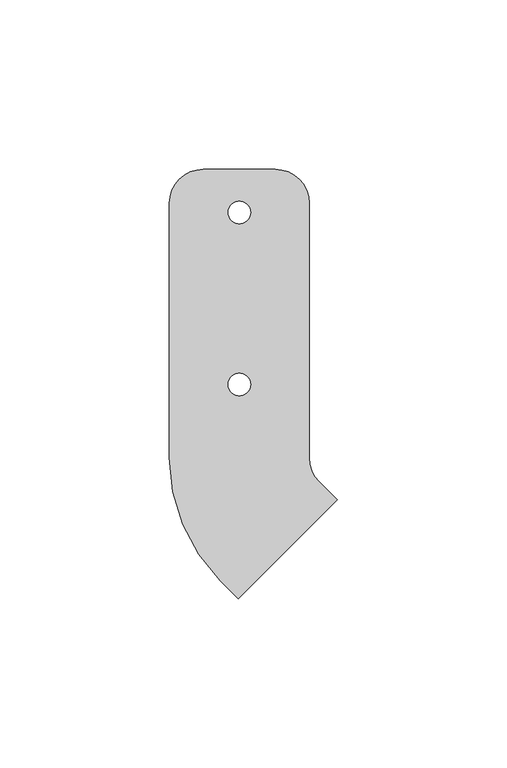
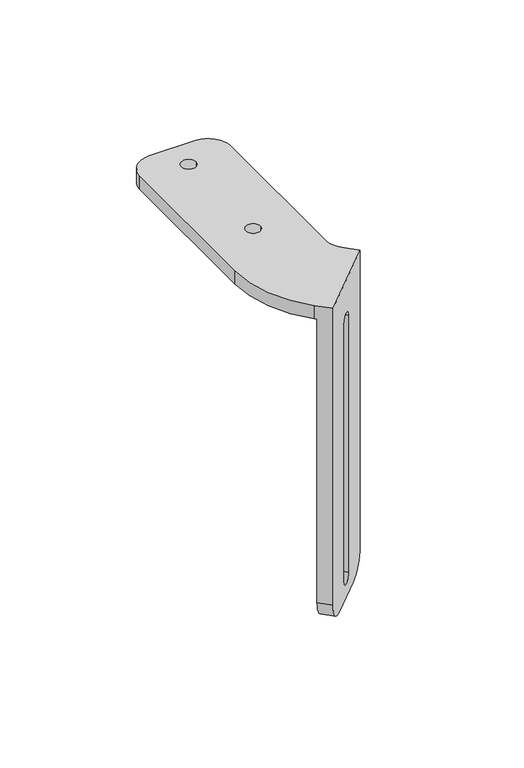
"""IFC4 building model written with IfcOpenShell, lengths in millimetres: proxy geometry."""

from ifc_helpers import new_model, si_unit, frame, origin, place, context, project, spatial, polyline, circle_curve, source, transform, mapped, element, save
from ifc_brep_helpers import plane_surface, cylinder_surface, revolved_surface, advanced_brep


def generic_models_2715e601(model_context):
    return source(origin(), model_context, "Body", "AdvancedBrep", [
        advanced_brep(
        [(24.3784807, -7.8831163, 0.0), (24.3784807, -7.8831163, -136.05), (17.3074129, -14.9541841, -146.05), (2.2637161, -29.9978809, -146.05), (-4.8073517, -37.0689487, -136.05), (-4.8073517, -37.0689487, 0.0), (12.1204311, -20.1411659, -136.398), (12.1204311, -20.1411659, -13.208), (7.4506979, -24.8108991, -13.208), (7.4506979, -24.8108991, -136.398), (-0.3172236, -41.5590768, -136.05), (6.7538442, -34.488009, -146.05), (21.7975409, -19.4443122, -146.05), (28.8686088, -12.3732444, -136.05), (28.8686088, -12.3732444, 6.35), (-0.3172236, -41.5590768, 6.35), (16.6105592, -24.631294, -136.398), (11.940826, -29.3010272, -136.398), (11.940826, -29.3010272, -13.208), (16.6105592, -24.631294, -13.208), (23.5664322, -7.0710678, 0.0), (23.5664322, -7.0710678, 6.35), (-5.6194002, -36.2569002, 6.35), (-5.6194002, -36.2569002, 0.0), (20.6375, 0.0, 6.35), (20.6375, 75.09, 6.35), (10.6375, 85.09, 6.35), (-10.6375, 85.09, 6.35), (-20.6375, 75.09, 6.35), (-20.6375, 0.0, 6.35), (3.302, 72.39, 6.35), (-3.302, 72.39, 6.35), (3.302, 21.59, 6.35), (-3.302, 21.59, 6.35), (20.6375, 0.0, 0.0), (-20.6375, 0.0, 0.0), (-20.6375, 75.09, 0.0), (-10.6375, 85.09, 0.0), (10.6375, 85.09, 0.0), (20.6375, 75.09, 0.0), (3.302, 72.39, 0.0), (-3.302, 72.39, 0.0), (3.302, 21.59, 0.0), (-3.302, 21.59, 0.0)],
        [
            (0, 1),
            (1, 2, circle_curve(frame((17.3074129, -14.9541841, -136.05), z_axis=(-0.7071067811865442, 0.7071067811865508, 0.0), x_axis=(0.7071067811865508, 0.7071067811865442, 0.0)), 10.0)),
            (2, 3),
            (3, 4, circle_curve(frame((2.2637161, -29.9978809, -136.05), z_axis=(-0.707106781186544, 0.707106781186551, 0.0), x_axis=(-0.707106781186551, -0.707106781186544, 0.0)), 10.0)),
            (4, 5),
            (5, 0),
            (6, 7),
            (7, 8, circle_curve(frame((9.7855645, -22.4760325, -13.208), z_axis=(0.7071067811865441, -0.7071067811865509, 0.0), x_axis=(-0.7071067811865509, -0.7071067811865441, 0.0)), 3.302)),
            (8, 9),
            (9, 6, circle_curve(frame((9.7855645, -22.4760325, -136.398), z_axis=(0.7071067811865441, -0.7071067811865509, 0.0), x_axis=(-0.7071067811865509, -0.7071067811865441, 0.0)), 3.302)),
            (10, 11, circle_curve(frame((6.7538442, -34.488009, -136.05), z_axis=(0.707106781186544, -0.707106781186551, 0.0), x_axis=(-0.707106781186551, -0.707106781186544, 0.0)), 10.0)),
            (11, 12),
            (12, 13, circle_curve(frame((21.7975409, -19.4443122, -136.05), z_axis=(0.7071067811865442, -0.7071067811865508, 0.0), x_axis=(0.7071067811865508, 0.7071067811865442, 0.0)), 10.0)),
            (13, 14),
            (14, 15),
            (15, 10),
            (16, 17, circle_curve(frame((14.2756926, -26.9661606, -136.398), z_axis=(-0.7071067811865441, 0.7071067811865509, 0.0), x_axis=(-0.7071067811865509, -0.7071067811865441, 0.0)), 3.302)),
            (17, 18),
            (18, 19, circle_curve(frame((14.2756926, -26.9661606, -13.208), z_axis=(-0.7071067811865441, 0.7071067811865509, 0.0), x_axis=(-0.7071067811865509, -0.7071067811865441, 0.0)), 3.302)),
            (19, 16),
            (0, 20),
            (20, 21),
            (21, 14),
            (13, 1),
            (12, 2),
            (11, 3),
            (10, 4),
            (15, 22),
            (22, 23),
            (23, 5),
            (6, 16),
            (19, 7),
            (18, 8),
            (17, 9),
            (24, 25),
            (25, 26, circle_curve(frame((10.6375, 75.09, 6.35), z_axis=(0.0, 0.0, 1.0), x_axis=(0.707106781186551, 0.707106781186544, 0.0)), 10.0)),
            (26, 27),
            (27, 28, circle_curve(frame((-10.6375, 75.09, 6.35), z_axis=(0.0, 0.0, 1.0), x_axis=(0.707106781186551, 0.707106781186544, 0.0)), 10.0)),
            (28, 29),
            (29, 22, circle_curve(frame((30.6375, 0.0, 6.35), z_axis=(0.0, 0.0, 1.0), x_axis=(0.707106781186551, 0.707106781186544, 0.0)), 51.275)),
            (21, 24, circle_curve(frame((30.6375, 0.0, 6.35), z_axis=(0.0, 0.0, -1.0), x_axis=(0.707106781186551, 0.707106781186544, 0.0)), 10.0)),
            (30, 31, circle_curve(frame((0.0, 72.39, 6.35), z_axis=(0.0, 0.0, -1.0), x_axis=(-1.0, 0.0, 0.0)), 3.302)),
            (31, 30, circle_curve(frame((0.0, 72.39, 6.35), z_axis=(0.0, 0.0, -1.0), x_axis=(-1.0, 0.0, 0.0)), 3.302)),
            (32, 33, circle_curve(frame((0.0, 21.59, 6.35), z_axis=(0.0, 0.0, -1.0), x_axis=(-1.0, 0.0, 0.0)), 3.302)),
            (33, 32, circle_curve(frame((0.0, 21.59, 6.35), z_axis=(0.0, 0.0, -1.0), x_axis=(-1.0, 0.0, 0.0)), 3.302)),
            (34, 20, circle_curve(frame((30.6375, 0.0, 0.0), z_axis=(0.0, 0.0, 1.0), x_axis=(0.707106781186551, 0.707106781186544, 0.0)), 10.0)),
            (23, 35, circle_curve(frame((30.6375, 0.0, 0.0), z_axis=(0.0, 0.0, -1.0), x_axis=(0.707106781186551, 0.707106781186544, 0.0)), 51.275)),
            (35, 36),
            (36, 37, circle_curve(frame((-10.6375, 75.09, 0.0), z_axis=(0.0, 0.0, -1.0), x_axis=(0.707106781186551, 0.707106781186544, 0.0)), 10.0)),
            (37, 38),
            (38, 39, circle_curve(frame((10.6375, 75.09, 0.0), z_axis=(0.0, 0.0, -1.0), x_axis=(0.707106781186551, 0.707106781186544, 0.0)), 10.0)),
            (39, 34),
            (40, 41, circle_curve(frame((0.0, 72.39, 0.0), z_axis=(0.0, 0.0, 1.0), x_axis=(-1.0, 0.0, 0.0)), 3.302)),
            (41, 40, circle_curve(frame((0.0, 72.39, 0.0), z_axis=(0.0, 0.0, 1.0), x_axis=(-1.0, 0.0, 0.0)), 3.302)),
            (42, 43, circle_curve(frame((0.0, 21.59, 0.0), z_axis=(0.0, 0.0, 1.0), x_axis=(-1.0, 0.0, 0.0)), 3.302)),
            (43, 42, circle_curve(frame((0.0, 21.59, 0.0), z_axis=(0.0, 0.0, 1.0), x_axis=(-1.0, 0.0, 0.0)), 3.302)),
            (34, 24),
            (29, 35),
            (28, 36),
            (27, 37),
            (26, 38),
            (25, 39),
            (31, 41),
            (40, 30),
            (33, 43),
            (42, 32),
        ],
        [
            plane_surface(frame((-4.8073517, -37.0689487, -102.0375), z_axis=(-0.707106781186544, 0.707106781186551, 0.0), x_axis=(0.0, 0.0, 1.0))),
            plane_surface(frame((-0.3172236, -41.5590768, -102.0375), z_axis=(0.707106781186544, -0.707106781186551, 0.0), x_axis=(0.0, 0.0, -1.0))),
            plane_surface(frame((28.8686088, -12.3732444, -136.05), z_axis=(0.7071067811865509, 0.7071067811865442, 0.0), x_axis=(-0.7071067811865442, 0.7071067811865509, 0.0))),
            cylinder_surface(frame((17.3074129, -14.9541841, -136.05), z_axis=(0.7071067811865442, -0.7071067811865508, 0.0), x_axis=(0.7071067811865508, 0.7071067811865442, 0.0)), 10.0),
            plane_surface(frame((6.7538442, -34.488009, -146.05), z_axis=(0.0, 0.0, -1.0), x_axis=(-0.707106781186544, 0.707106781186551, 0.0))),
            cylinder_surface(frame((2.2637161, -29.9978809, -136.05), z_axis=(0.707106781186544, -0.707106781186551, 0.0), x_axis=(-0.707106781186551, -0.707106781186544, 0.0)), 10.0),
            plane_surface(frame((-0.3172236, -41.5590768, 0.0), z_axis=(-0.707106781186551, -0.707106781186544, 0.0), x_axis=(-0.707106781186544, 0.707106781186551, 0.0))),
            plane_surface(frame((16.6105592, -24.631294, -13.208), z_axis=(-0.707106781186551, -0.707106781186544, 0.0), x_axis=(-0.707106781186544, 0.707106781186551, 0.0))),
            revolved_surface(polyline([(7.450697908522021, -24.810899091477935, -13.208), (11.940826008522022, -29.301027191477978, -13.208)]), (14.2756926, -26.9661606, -13.208), (-0.7071067811865441, 0.7071067811865509, 0.0)),
            plane_surface(frame((11.940826, -29.3010272, -136.398), z_axis=(0.707106781186551, 0.707106781186544, 0.0), x_axis=(-0.707106781186544, 0.707106781186551, 0.0))),
            revolved_surface(polyline([(7.450697908522021, -24.810899091477935, -136.398), (11.940826008522022, -29.301027191477978, -136.398)]), (14.2756926, -26.9661606, -136.398), (-0.7071067811865441, 0.7071067811865509, 0.0)),
            plane_surface(frame((20.6375, 75.09, 6.35), z_axis=(0.0, 0.0, 1.0), x_axis=(0.0, 1.0, 0.0))),
            plane_surface(frame((20.6375, 75.09, 0.0), z_axis=(0.0, 0.0, -1.0), x_axis=(0.0, -1.0, 0.0))),
            revolved_surface(polyline([(37.70856781186551, 7.07106781186544, 0.0), (37.70856781186551, 7.07106781186544, 6.35)]), (30.6375, 0.0, 0.0), (0.0, 0.0, -1.0)),
            cylinder_surface(frame((30.6375, 0.0, 0.0), z_axis=(0.0, 0.0, 1.0), x_axis=(0.707106781186551, 0.707106781186544, 0.0)), 51.275),
            plane_surface(frame((-20.6375, 75.09, 6.35), z_axis=(-1.0, 0.0, 0.0), x_axis=(0.0, 0.0, -1.0))),
            cylinder_surface(frame((-10.6375, 75.09, 0.0), z_axis=(0.0, 0.0, 1.0), x_axis=(0.707106781186551, 0.707106781186544, 0.0)), 10.0),
            plane_surface(frame((10.6375, 85.09, 6.35), z_axis=(0.0, 1.0, 0.0), x_axis=(0.0, 0.0, -1.0))),
            cylinder_surface(frame((10.6375, 75.09, 0.0), z_axis=(0.0, 0.0, 1.0), x_axis=(0.707106781186551, 0.707106781186544, 0.0)), 10.0),
            plane_surface(frame((20.6375, 0.0, 6.35), z_axis=(1.0, 0.0, 0.0), x_axis=(0.0, 0.0, -1.0))),
            revolved_surface(polyline([(-3.302, 72.39, 0.0), (-3.302, 72.39, 6.35)]), (0.0, 72.39, 0.0), (0.0, 0.0, -1.0)),
            revolved_surface(polyline([(-3.302, 21.59, 0.0), (-3.302, 21.59, 6.35)]), (0.0, 21.59, 0.0), (0.0, 0.0, -1.0)),
        ],
        [
            (0, [[1, 2, 3, 4, 5, 6], [7, 8, 9, 10]]),
            (1, [[11, 12, 13, 14, 15, 16], [17, 18, 19, 20]]),
            (2, [[-1, 21, 22, 23, -14, 24]]),
            (3, [[-2, -24, -13, 25]]),
            (4, [[-3, -25, -12, 26]]),
            (5, [[-4, -26, -11, 27]]),
            (6, [[-5, -27, -16, 28, 29, 30]]),
            (7, [[-7, 31, -20, 32]]),
            (8, [[-8, -32, -19, 33]]),
            (9, [[-9, -33, -18, 34]]),
            (10, [[-10, -34, -17, -31]]),
            (11, [[35, 36, 37, 38, 39, 40, -28, -15, -23, 41], [42, 43], [44, 45]]),
            (12, [[46, -21, -6, -30, 47, 48, 49, 50, 51, 52], [53, 54], [55, 56]]),
            (13, [[-41, -22, -46, 57]]),
            (14, [[-40, 58, -47, -29]]),
            (15, [[-39, 59, -48, -58]]),
            (16, [[-38, 60, -49, -59]]),
            (17, [[-37, 61, -50, -60]]),
            (18, [[-36, 62, -51, -61]]),
            (19, [[-35, -57, -52, -62]]),
            (20, [[-43, 63, -53, 64]]),
            (20, [[-42, -64, -54, -63]]),
            (21, [[-45, 65, -55, 66]]),
            (21, [[-44, -66, -56, -65]]),
        ],
    ),
    ])


if __name__ == "__main__":
    model = new_model("IFC4")
    model_context = context("Model", 3, world=origin())
    ifc_project = project(units=[si_unit("LENGTHUNIT", "METRE", prefix="MILLI")], contexts=[model_context])
    site = spatial("IfcSite", under=ifc_project)
    building = spatial("IfcBuilding", under=site)
    placement = place(None, origin())
    generic_models_shape = generic_models_2715e601(model_context)
    element("IfcBuildingElementProxy", 1, Name="Generic Models", at=placement, inside=building, context=model_context, shape_type="MappedRepresentation", body=[
        mapped(generic_models_shape, transform((0.0, 0.0, 0.0), x_axis=(1.0, 0.0, 0.0), y_axis=(0.0, 1.0, 0.0), z_axis=(0.0, 0.0, 1.0))),
    ])
    save(model, "model.ifc")
